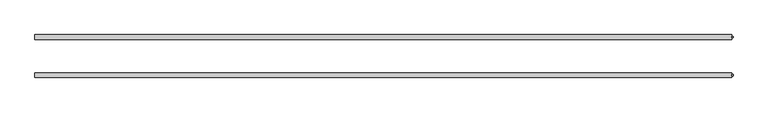
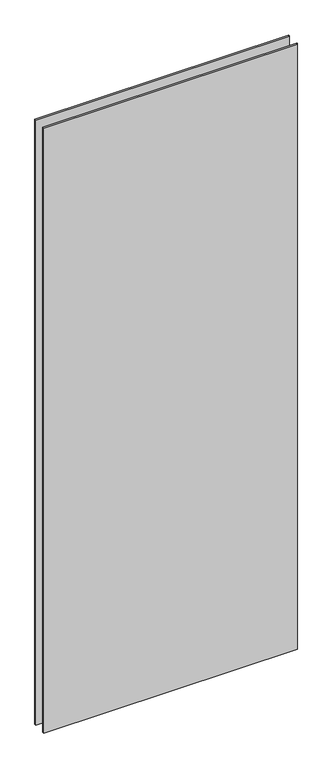
"""IFC4 building model written with IfcOpenShell, lengths in millimetres: plate geometry."""

from ifc_helpers import new_model, si_unit, origin, origin_with_axes, place, context, project, spatial, polyline, outline, extrude, source, transform, mapped, element, save


def plate_b133d6b0(model_context):
    return source(origin(), model_context, "Body", "SweptSolid", [
        extrude(outline(polyline([(577.2142857, 32.7), (579.2142857, 32.7), (579.2142857, 30.7), (577.2142857, 30.7), (577.2142857, 32.7)])), origin_with_axes(), (0.0, 0.0, 1.0), 2915.0),
        extrude(outline(polyline([(579.2142857, -30.7), (579.2142857, -32.7), (577.2142857, -32.7), (577.2142857, -30.7), (579.2142857, -30.7)])), origin_with_axes(), (0.0, 0.0, 1.0), 2915.0),
        extrude(outline(polyline([(577.2142857, 27.7), (-579.2142857, 27.7), (-579.2142857, 35.7), (577.2142857, 35.7), (577.2142857, 27.7)])), origin_with_axes(), (0.0, 0.0, 1.0), 2915.0),
        extrude(outline(polyline([(-579.2142857, -35.7), (-579.2142857, -27.7), (577.2142857, -27.7), (577.2142857, -35.7), (-579.2142857, -35.7)])), origin_with_axes(), (0.0, 0.0, 1.0), 2915.0),
    ])


if __name__ == "__main__":
    model = new_model("IFC4")
    model_context = context("Model", 3, world=origin())
    ifc_project = project(units=[si_unit("LENGTHUNIT", "METRE", prefix="MILLI")], contexts=[model_context])
    site = spatial("IfcSite", under=ifc_project)
    building = spatial("IfcBuilding", under=site)
    placement = place(None, origin())
    plate_shape = plate_b133d6b0(model_context)
    element("IfcPlate", 1, at=placement, inside=building, context=model_context, shape_type="MappedRepresentation", body=[
        mapped(plate_shape, transform((0.0, 0.0, 0.0), x_axis=(1.0, 0.0, 0.0), y_axis=(0.0, 1.0, 0.0), z_axis=(0.0, 0.0, 1.0))),
    ])
    save(model, "model.ifc")
